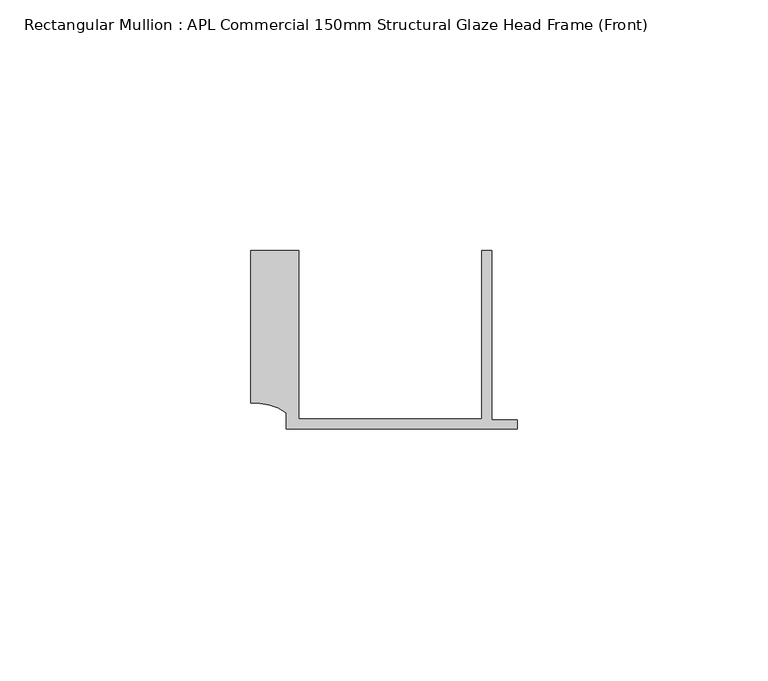
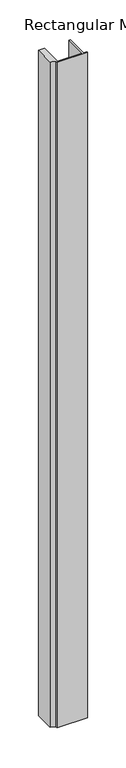
"""IFC4 building model written with IfcOpenShell, lengths in millimetres: member geometry, Rectangular Mullion : APL Commercial 150mm Structural Glaze Head Frame (Front)."""

from ifc_helpers import new_model, si_unit, point, frame, frame_2d, origin, place, context, project, spatial, polyline, circle_curve, trimmed, segment, composite_curve, outline, extrude, source, transform, mapped, element, save


def rectangular_mullion_apl_commercial_150mm_structural_glaze_c4d893c1(model_context):
    return source(origin(), model_context, "Body", "SweptSolid", [
        extrude(outline(composite_curve([segment(polyline([(-52.9999542, 15.0), (-43.5000151, 15.0), (-43.5000151, -18.5002486), (-7.0, -18.5002486), (-7.0, 15.0), (-5.0, 15.0), (-5.0, -18.7002486), (0.0, -18.7002486), (0.0, -20.5002486), (-45.9999994, -20.5002486), (-45.9999994, -17.3126154)]), True, "CONTINUOUS"), segment(trimmed(circle_curve(frame_2d((-52.109817, -25.7982641)), 10.4563907), [point((-45.9999994, -17.3126154))], [point((-52.9999542, -15.3798304))], True, "CARTESIAN"), True, "CONTINUOUS"), segment(polyline([(-52.9999542, -15.3798304), (-52.9999542, 15.0)]), True, "CONTINUOUS")], self_intersect=False)), frame((0.0, 0.0, -1051.0001218), z_axis=(0.0, 0.0, 1.0), x_axis=(1.0, 0.0, 0.0)), (0.0, 0.0, 1.0), 1051.0001218),
    ])


if __name__ == "__main__":
    model = new_model("IFC4")
    model_context = context("Model", 3, world=origin())
    ifc_project = project(units=[si_unit("LENGTHUNIT", "METRE", prefix="MILLI")], contexts=[model_context])
    site = spatial("IfcSite", under=ifc_project)
    building = spatial("IfcBuilding", under=site)
    placement = place(None, origin())
    rectangular_mullion_apl_commercial_150mm_structural_glaze_shape = rectangular_mullion_apl_commercial_150mm_structural_glaze_c4d893c1(model_context)
    element("IfcMember", 1, ObjectType="Rectangular Mullion : APL Commercial 150mm Structural Glaze Head Frame (Front)", at=placement, inside=building, context=model_context, shape_type="MappedRepresentation", body=[
        mapped(rectangular_mullion_apl_commercial_150mm_structural_glaze_shape, transform((0.0, 0.0, 0.0), x_axis=(1.0, 0.0, 0.0), y_axis=(0.0, 1.0, 0.0), z_axis=(0.0, 0.0, 1.0))),
    ])
    save(model, "model.ifc")
